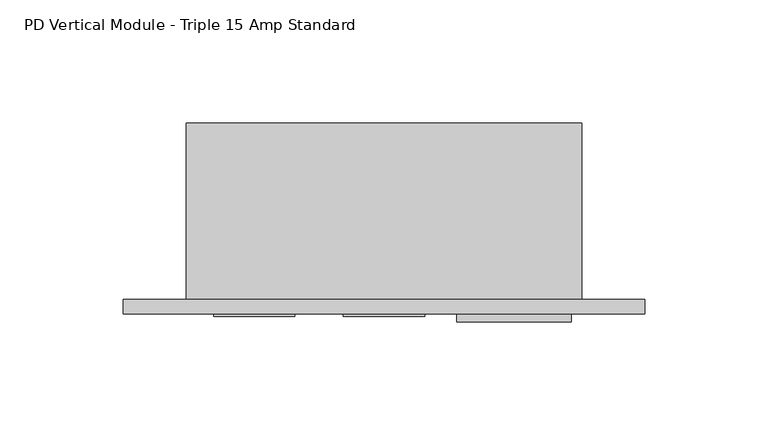
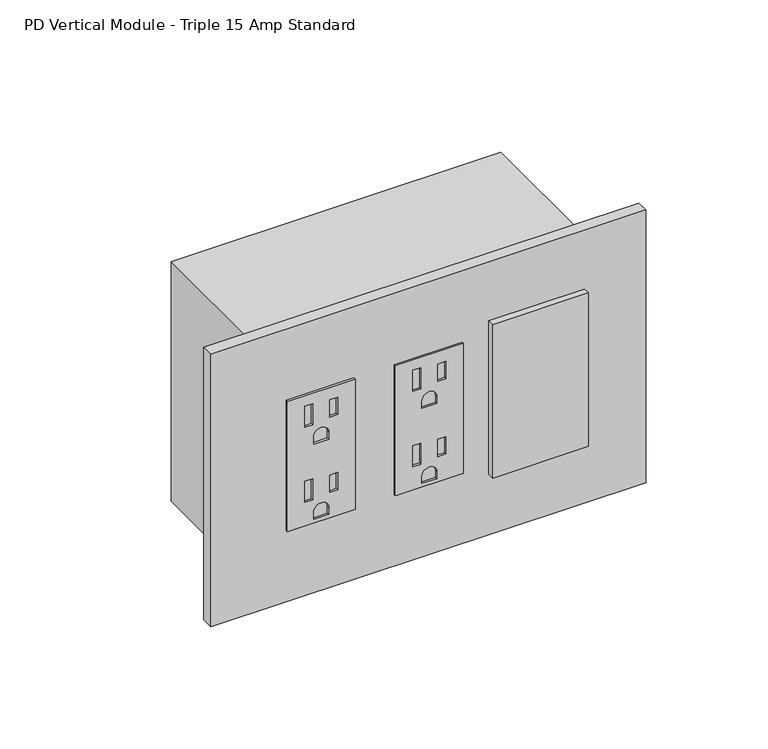
"""IFC4 building model written with IfcOpenShell, lengths in millimetres: proxy geometry, PD Vertical Module - Triple 15 Amp Standard."""

from ifc_helpers import new_model, si_unit, point, frame, frame_2d, origin, place, context, project, spatial, polyline, circle_curve, trimmed, segment, composite_curve, outline, extrude, source, transform, mapped, element, save


def pd_vertical_module_triple_15_amp_standard_c933c7ee(model_context):
    return source(origin(), model_context, "Body", "SweptSolid", [
        extrude(outline(polyline([(414.4772, 96.7613), (414.4772, 63.7667), (347.5228, 63.7667), (347.5228, 96.7613), (414.4772, 96.7613)]), holes=[polyline([(409.0924, 76.1111), (398.272, 76.1111), (398.272, 72.2757), (409.0924, 72.2757), (409.0924, 76.1111)]), polyline([(408.1145, 88.2777), (399.2499, 88.2777), (399.2499, 84.4423), (408.1145, 84.4423), (408.1145, 88.2777)]), composite_curve([segment(polyline([(388.0866, 83.8962), (388.0866, 76.6318), (391.7188, 76.6318)]), True, "CONTINUOUS"), segment(trimmed(circle_curve(frame_2d((391.7188, 80.264)), 3.6322), [point((391.7188, 76.6318))], [point((391.7188, 83.8962))], True, "CARTESIAN"), True, "CONTINUOUS"), segment(polyline([(391.7188, 83.8962), (388.0866, 83.8962)]), True, "CONTINUOUS")], self_intersect=False), polyline([(370.3574, 76.1111), (359.537, 76.1111), (359.537, 72.2757), (370.3574, 72.2757), (370.3574, 76.1111)]), polyline([(369.3795, 88.2777), (360.5149, 88.2777), (360.5149, 84.4423), (369.3795, 84.4423), (369.3795, 88.2777)]), composite_curve([segment(polyline([(349.3516, 83.8962), (349.3516, 76.6318), (352.9838, 76.6318)]), True, "CONTINUOUS"), segment(trimmed(circle_curve(frame_2d((352.9838, 80.264)), 3.6322), [point((352.9838, 76.6318))], [point((352.9838, 83.8962))], True, "CARTESIAN"), True, "CONTINUOUS"), segment(polyline([(352.9838, 83.8962), (349.3516, 83.8962)]), True, "CONTINUOUS")], self_intersect=False)]), frame((0.0, -6.9294746, 0.0), z_axis=(0.0, 1.0, 0.0), x_axis=(0.0, 0.0, 1.0)), (0.0, 0.0, 1.0), 1.0366746),
        extrude(outline(polyline([(414.4772, 44.0944), (414.4772, 11.0998), (347.5228, 11.0998), (347.5228, 44.0944), (414.4772, 44.0944)]), holes=[polyline([(409.0924, 23.4442), (398.272, 23.4442), (398.272, 19.6088), (409.0924, 19.6088), (409.0924, 23.4442)]), polyline([(408.1145, 35.6108), (399.2499, 35.6108), (399.2499, 31.7754), (408.1145, 31.7754), (408.1145, 35.6108)]), composite_curve([segment(polyline([(388.0866, 31.2293), (388.0866, 23.9649), (391.7188, 23.9649)]), True, "CONTINUOUS"), segment(trimmed(circle_curve(frame_2d((391.7188, 27.5971)), 3.6322), [point((391.7188, 23.9649))], [point((391.7188, 31.2293))], True, "CARTESIAN"), True, "CONTINUOUS"), segment(polyline([(391.7188, 31.2293), (388.0866, 31.2293)]), True, "CONTINUOUS")], self_intersect=False), polyline([(370.3574, 23.4442), (359.537, 23.4442), (359.537, 19.6088), (370.3574, 19.6088), (370.3574, 23.4442)]), polyline([(369.3795, 35.6108), (360.5149, 35.6108), (360.5149, 31.7754), (369.3795, 31.7754), (369.3795, 35.6108)]), composite_curve([segment(polyline([(349.3516, 31.2293), (349.3516, 23.9649), (352.9838, 23.9649)]), True, "CONTINUOUS"), segment(trimmed(circle_curve(frame_2d((352.9838, 27.5971)), 3.6322), [point((352.9838, 23.9649))], [point((352.9838, 31.2293))], True, "CARTESIAN"), True, "CONTINUOUS"), segment(polyline([(352.9838, 31.2293), (349.3516, 31.2293)]), True, "CONTINUOUS")], self_intersect=False)]), frame((0.0, -6.9294746, 0.0), z_axis=(0.0, 1.0, 0.0), x_axis=(0.0, 0.0, 1.0)), (0.0, 0.0, 1.0), 1.0366746),
        extrude(outline(polyline([(109.8296, -5.8928), (156.3624, -5.8928), (156.3624, -9.0678), (109.8296, -9.0678), (109.8296, -5.8928)])), frame((0.0, 0.0, 341.7922742), z_axis=(0.0, 0.0, 1.0), x_axis=(1.0, 0.0, 0.0)), (0.0, 0.0, 1.0), 79.0448),
        extrude(outline(polyline([(-25.6794, 0.0), (186.2074, 0.0), (186.2074, -5.8928), (-25.6794, -5.8928), (-25.6794, 0.0)])), frame((0.0, 0.0, 310.8198), z_axis=(0.0, 0.0, 1.0), x_axis=(1.0, 0.0, 0.0)), (0.0, 0.0, 1.0), 140.3604),
        extrude(outline(polyline([(160.528, 0.0), (0.0, 0.0), (0.0, 71.7296), (160.528, 71.7296), (160.528, 0.0)])), frame((0.0, 0.0, 319.2526), z_axis=(0.0, 0.0, 1.0), x_axis=(1.0, 0.0, 0.0)), (0.0, 0.0, 1.0), 123.4948),
    ])


if __name__ == "__main__":
    model = new_model("IFC4")
    model_context = context("Model", 3, world=origin())
    ifc_project = project(units=[si_unit("LENGTHUNIT", "METRE", prefix="MILLI")], contexts=[model_context])
    site = spatial("IfcSite", under=ifc_project)
    building = spatial("IfcBuilding", under=site)
    placement = place(None, origin())
    pd_vertical_module_triple_15_amp_standard_shape = pd_vertical_module_triple_15_amp_standard_c933c7ee(model_context)
    element("IfcBuildingElementProxy", 1, Name="PD Vertical Module - Triple 15 Amp Standard", ObjectType="PD Vertical Module - Triple 15 Amp Standard", at=placement, inside=building, context=model_context, shape_type="MappedRepresentation", body=[
        mapped(pd_vertical_module_triple_15_amp_standard_shape, transform((0.0, 0.0, 0.0), x_axis=(1.0, 0.0, 0.0), y_axis=(0.0, 1.0, 0.0), z_axis=(0.0, 0.0, 1.0))),
    ])
    save(model, "model.ifc")
